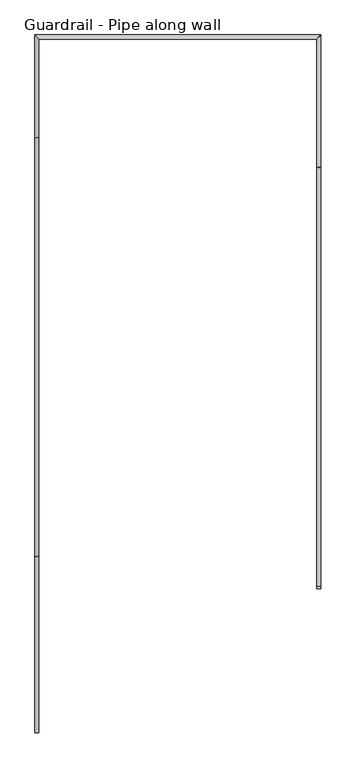
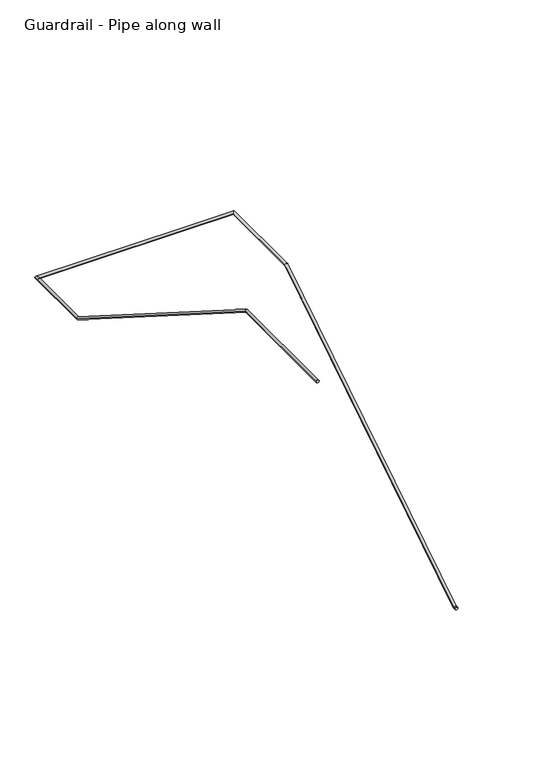
"""IFC4 building model written with IfcOpenShell, lengths in millimetres: railing geometry, Guardrail - Pipe along wall."""

from ifc_helpers import new_model, si_unit, frame, origin, place, context, project, spatial, circle_curve, ellipse_curve, source, transform, mapped, element, save
from ifc_brep_helpers import plane_surface, cylinder_surface, advanced_brep


def guardrail_pipe_along_wall_039c94ca(model_context):
    return source(origin(), model_context, "Body", "AdvancedBrep", [
        advanced_brep(
        [(308412.1957983, -254782.6854408, 742.95), (308374.0957983, -254782.6854408, 742.95), (308374.0957983, -250871.0854408, 3218.9796296), (308412.1957983, -250871.0854408, 3218.9796296), (308374.0957983, -249676.4580223, 3218.9796296), (308412.1957983, -249638.3580223, 3218.9796296), (305779.2754676, -249676.4580223, 3218.9796296), (305741.1754676, -249638.3580223, 3218.9796296), (305779.2754676, -250602.7306039, 3218.9796296), (305741.1754676, -250602.7306039, 3218.9796296), (305779.2754676, -254514.3306038, 5695.0092593), (305741.1754676, -254514.3306038, 5695.0092593), (305779.2754676, -256159.8080223, 5695.0092593), (305741.1754676, -256159.8080223, 5695.0092593), (308374.0957983, -254813.6080223, 742.95), (308412.1957983, -254813.6080223, 742.95)],
        [
            (0, 1, ellipse_curve(frame((308393.1457983, -254782.6854408, 742.95), z_axis=(0.0, 0.9604550090529086, 0.27843522691135364), x_axis=(0.0, 0.278435226911353, -0.9604550090529088)), 19.8343492, 19.05)),
            (1, 2),
            (2, 3, ellipse_curve(frame((308393.1457983, -250871.0854408, 3218.9796296), z_axis=(0.0, -0.9604550090529086, -0.2784352269113537), x_axis=(0.0, 0.27843522691135303, -0.9604550090529088)), 19.8343492, 19.05)),
            (3, 0),
            (1, 0, ellipse_curve(frame((308393.1457983, -254782.6854408, 742.95), z_axis=(0.0, 0.9604550090529086, 0.27843522691135364), x_axis=(0.0, 0.278435226911353, -0.9604550090529088)), 19.8343492, 19.05)),
            (3, 2, ellipse_curve(frame((308393.1457983, -250871.0854408, 3218.9796296), z_axis=(0.0, -0.9604550090529086, -0.2784352269113537), x_axis=(0.0, 0.27843522691135303, -0.9604550090529088)), 19.8343492, 19.05)),
            (2, 4),
            (4, 5, ellipse_curve(frame((308393.1457983, -249657.4080223, 3218.9796296), z_axis=(0.7071067811865475, -0.7071067811865475, 0.0), x_axis=(-0.7071067811865474, -0.7071067811865476, 0.0)), 26.9407684, 19.05)),
            (5, 3),
            (5, 4, ellipse_curve(frame((308393.1457983, -249657.4080223, 3218.9796296), z_axis=(0.7071067811865475, -0.7071067811865475, 0.0), x_axis=(-0.7071067811865474, -0.7071067811865476, 0.0)), 26.9407684, 19.05)),
            (4, 6),
            (6, 7, ellipse_curve(frame((305760.2254676, -249657.4080223, 3218.9796296), z_axis=(0.7071067811865475, 0.7071067811865475, 0.0), x_axis=(0.7071067811865476, -0.7071067811865474, 0.0)), 26.9407684, 19.05)),
            (7, 5),
            (7, 6, ellipse_curve(frame((305760.2254676, -249657.4080223, 3218.9796296), z_axis=(0.7071067811865475, 0.7071067811865475, 0.0), x_axis=(0.7071067811865476, -0.7071067811865474, 0.0)), 26.9407684, 19.05)),
            (6, 8),
            (8, 9, ellipse_curve(frame((305760.2254676, -250602.7306039, 3218.9796296), z_axis=(0.0, 0.9604550090529084, -0.27843522691135497), x_axis=(0.0, 0.27843522691135497, 0.9604550090529085)), 19.8343492, 19.05)),
            (9, 7),
            (9, 8, ellipse_curve(frame((305760.2254676, -250602.7306039, 3218.9796296), z_axis=(0.0, 0.9604550090529084, -0.27843522691135497), x_axis=(0.0, 0.27843522691135497, 0.9604550090529085)), 19.8343492, 19.05)),
            (8, 10),
            (10, 11, ellipse_curve(frame((305760.2254676, -254514.3306038, 5695.0092593), z_axis=(0.0, 0.9604550090529084, -0.2784352269113549), x_axis=(0.0, -0.27843522691135497, -0.9604550090529085)), 19.8343492, 19.05)),
            (11, 9),
            (11, 10, ellipse_curve(frame((305760.2254676, -254514.3306038, 5695.0092593), z_axis=(0.0, 0.9604550090529084, -0.2784352269113549), x_axis=(0.0, -0.27843522691135497, -0.9604550090529085)), 19.8343492, 19.05)),
            (12, 13, circle_curve(frame((305760.2254676, -256159.8080223, 5695.0092593), z_axis=(0.0, -1.0, 0.0), x_axis=(-1.0, 0.0, 0.0)), 19.05)),
            (13, 12, circle_curve(frame((305760.2254676, -256159.8080223, 5695.0092593), z_axis=(0.0, -1.0, 0.0), x_axis=(-1.0, 0.0, 0.0)), 19.05)),
            (10, 12),
            (13, 11),
            (14, 15, circle_curve(frame((308393.1457983, -254813.6080223, 742.95), z_axis=(0.0, -1.0, 0.0), x_axis=(1.0, 0.0, 0.0)), 19.05)),
            (15, 14, circle_curve(frame((308393.1457983, -254813.6080223, 742.95), z_axis=(0.0, -1.0, 0.0), x_axis=(1.0, 0.0, 0.0)), 19.05)),
            (14, 1),
            (0, 15),
        ],
        [
            cylinder_surface(frame((308393.1457983, -254778.0191486, 745.9037473), z_axis=(0.0, -0.844947648829646, -0.5348490167675858), x_axis=(1.0, 0.0, 0.0)), 19.05),
            cylinder_surface(frame((308393.1457983, -250876.6080223, 3218.9796296), z_axis=(0.0, -1.0, 0.0), x_axis=(1.0, 0.0, 0.0)), 19.05),
            cylinder_surface(frame((308393.1457983, -249657.4080223, 3218.9796296), z_axis=(1.0, 0.0, 0.0), x_axis=(0.0, 1.0, 0.0)), 19.05),
            cylinder_surface(frame((305760.2254676, -249657.4080223, 3218.9796296), z_axis=(0.0, 1.0, 0.0), x_axis=(-1.0, 0.0, 0.0)), 19.05),
            cylinder_surface(frame((305760.2254676, -250607.3968961, 3221.9333769), z_axis=(0.0, 0.8449476488296446, -0.534849016767588), x_axis=(-1.0, 0.0, 0.0)), 19.05),
            plane_surface(frame((305760.2254676, -256159.8080223, 5714.0592593), z_axis=(0.0, -1.0, 0.0), x_axis=(0.0, 0.0, -1.0))),
            cylinder_surface(frame((305760.2254676, -254508.8080223, 5695.0092593), z_axis=(0.0, 1.0, 0.0), x_axis=(-1.0, 0.0, 0.0)), 19.05),
            plane_surface(frame((308393.1457983, -254813.6080223, 762.0), z_axis=(0.0, -1.0, 0.0), x_axis=(0.0, 0.0, 1.0))),
            cylinder_surface(frame((308393.1457983, -254813.6080223, 742.95), z_axis=(0.0, -1.0, 0.0), x_axis=(1.0, 0.0, 0.0)), 19.05),
        ],
        [
            (0, [[1, 2, 3, 4]]),
            (0, [[5, -4, 6, -2]]),
            (1, [[-3, 7, 8, 9]]),
            (1, [[-6, -9, 10, -7]]),
            (2, [[-8, 11, 12, 13]]),
            (2, [[-10, -13, 14, -11]]),
            (3, [[-12, 15, 16, 17]]),
            (3, [[-14, -17, 18, -15]]),
            (4, [[-16, 19, 20, 21]]),
            (4, [[-18, -21, 22, -19]]),
            (5, [[23, 24]]),
            (6, [[-20, 25, -24, 26]]),
            (6, [[-22, -26, -23, -25]]),
            (7, [[27, 28]]),
            (8, [[-27, 29, -1, 30]]),
            (8, [[-28, -30, -5, -29]]),
        ],
    ),
    ])


if __name__ == "__main__":
    model = new_model("IFC4")
    model_context = context("Model", 3, world=origin())
    ifc_project = project(units=[si_unit("LENGTHUNIT", "METRE", prefix="MILLI")], contexts=[model_context])
    site = spatial("IfcSite", under=ifc_project)
    building = spatial("IfcBuilding", under=site)
    placement = place(None, origin())
    guardrail_pipe_along_wall_shape = guardrail_pipe_along_wall_039c94ca(model_context)
    element("IfcRailing", 1, ObjectType="Guardrail - Pipe along wall", at=placement, inside=building, context=model_context, shape_type="MappedRepresentation", body=[
        mapped(guardrail_pipe_along_wall_shape, transform((0.0, 0.0, 0.0), x_axis=(1.0, 0.0, 0.0), y_axis=(0.0, 1.0, 0.0), z_axis=(0.0, 0.0, 1.0))),
    ])
    save(model, "model.ifc")
